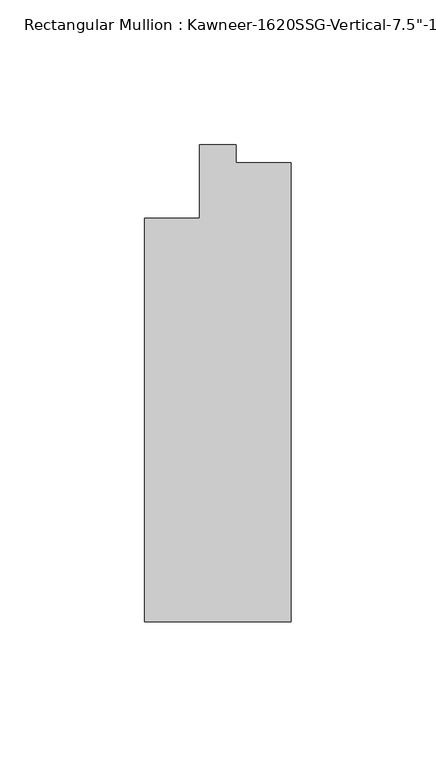
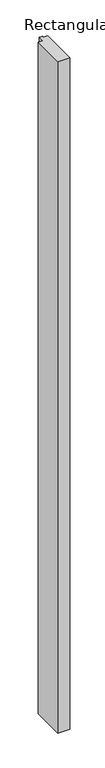
"""IFC4 building model written with IfcOpenShell, lengths in millimetres: member geometry."""

from ifc_helpers import new_model, si_unit, frame, origin, place, context, project, spatial, polyline, outline, extrude, source, transform, mapped, element, save


def member_b998d6c7(model_context):
    return source(origin(), model_context, "Body", "SweptSolid", [
        extrude(outline(polyline([(25.4, -161.925), (-25.4, -161.925), (-25.4, -22.225), (-6.35, -22.225), (-6.35, 3.175), (6.35, 3.175), (6.35, -3.175), (25.4, -3.175), (25.4, -161.925)])), frame((0.0, 0.0, -2959.1), z_axis=(0.0, 0.0, 1.0), x_axis=(1.0, 0.0, 0.0)), (0.0, 0.0, 1.0), 2959.1),
    ])


if __name__ == "__main__":
    model = new_model("IFC4")
    model_context = context("Model", 3, world=origin())
    ifc_project = project(units=[si_unit("LENGTHUNIT", "METRE", prefix="MILLI")], contexts=[model_context])
    site = spatial("IfcSite", under=ifc_project)
    building = spatial("IfcBuilding", under=site)
    placement = place(None, origin())
    member_shape = member_b998d6c7(model_context)
    element("IfcMember", 1, ObjectType="Rectangular Mullion : Kawneer-1620SSG-Vertical-7.5\"-1\"_1/4\"Infill", at=placement, inside=building, context=model_context, shape_type="MappedRepresentation", body=[
        mapped(member_shape, transform((0.0, 0.0, 0.0), x_axis=(1.0, 0.0, 0.0), y_axis=(0.0, 1.0, 0.0), z_axis=(0.0, 0.0, 1.0))),
    ])
    save(model, "model.ifc")
